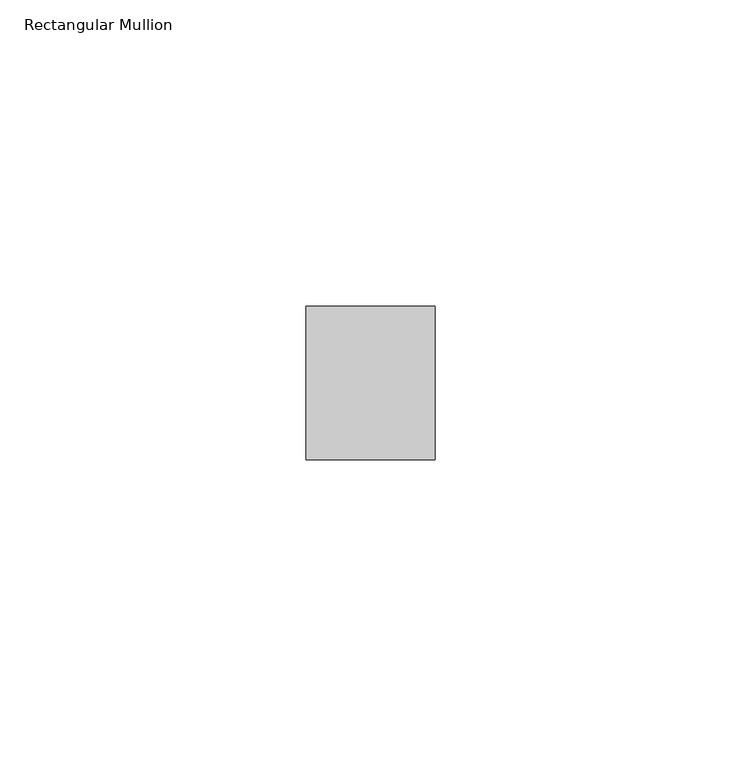
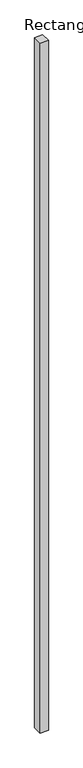
"""IFC4 building model written with IfcOpenShell, lengths in millimetres: member geometry, Rectangular Mullion."""

from ifc_helpers import new_model, si_unit, frame, origin, place, context, project, spatial, polyline, outline, extrude, source, transform, mapped, element, save


def rectangular_mullion_08bac69d(model_context):
    return source(origin(), model_context, "Body", "SweptSolid", [
        extrude(outline(polyline([(0.0, 44.5), (0.0, 19.5), (-21.0, 19.5), (-21.0, 44.5), (0.0, 44.5)])), frame((0.0, 0.0, -1900.0000001), z_axis=(0.0, 0.0, 1.0), x_axis=(1.0, 0.0, 0.0)), (0.0, 0.0, 1.0), 1900.0000001),
    ])


if __name__ == "__main__":
    model = new_model("IFC4")
    model_context = context("Model", 3, world=origin())
    ifc_project = project(units=[si_unit("LENGTHUNIT", "METRE", prefix="MILLI")], contexts=[model_context])
    site = spatial("IfcSite", under=ifc_project)
    building = spatial("IfcBuilding", under=site)
    placement = place(None, origin())
    rectangular_mullion_shape = rectangular_mullion_08bac69d(model_context)
    element("IfcMember", 1, ObjectType="Rectangular Mullion", at=placement, inside=building, context=model_context, shape_type="MappedRepresentation", body=[
        mapped(rectangular_mullion_shape, transform((0.0, 0.0, 0.0), x_axis=(1.0, 0.0, 0.0), y_axis=(0.0, 1.0, 0.0), z_axis=(0.0, 0.0, 1.0))),
    ])
    save(model, "model.ifc")
